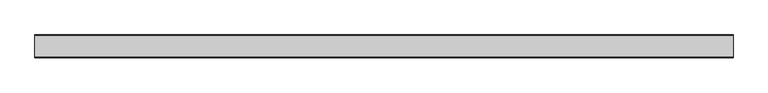
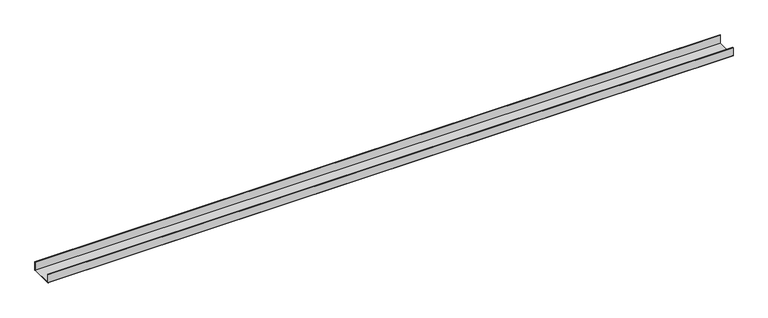
"""IFC4 building model written with IfcOpenShell, lengths in millimetres: proxy geometry."""

from ifc_helpers import new_model, si_unit, point, frame, frame_2d, origin, place, context, project, spatial, polyline, circle_curve, trimmed, segment, composite_curve, outline, extrude, source, transform, mapped, element, save


def generic_models_108b56a6(model_context):
    return source(origin(), model_context, "Body", "SweptSolid", [
        extrude(outline(composite_curve([segment(polyline([(-50.5, 2.0), (-50.5, 40.0), (-48.5, 40.0), (-48.5, 2.0), (48.5, 2.0), (48.5, 40.0), (50.5, 40.0), (50.5, 2.0)]), True, "CONTINUOUS"), segment(trimmed(circle_curve(frame_2d((48.5, 2.0)), 2.0), [point((50.5, 2.0))], [point((48.5, 0.0))], False, "CARTESIAN"), True, "CONTINUOUS"), segment(polyline([(48.5, 0.0), (-48.5, 0.0)]), True, "CONTINUOUS"), segment(trimmed(circle_curve(frame_2d((-48.5, 2.0)), 2.0), [point((-48.5, 0.0))], [point((-50.5, 2.0))], False, "CARTESIAN"), True, "CONTINUOUS")], self_intersect=False)), frame((0.0, 0.0, 0.0), z_axis=(1.0, 0.0, 0.0), x_axis=(0.0, 1.0, 0.0)), (0.0, 0.0, 1.0), 3096.5122993),
    ])


if __name__ == "__main__":
    model = new_model("IFC4")
    model_context = context("Model", 3, world=origin())
    ifc_project = project(units=[si_unit("LENGTHUNIT", "METRE", prefix="MILLI")], contexts=[model_context])
    site = spatial("IfcSite", under=ifc_project)
    building = spatial("IfcBuilding", under=site)
    placement = place(None, origin())
    generic_models_shape = generic_models_108b56a6(model_context)
    element("IfcBuildingElementProxy", 1, Name="Generic Models", at=placement, inside=building, context=model_context, shape_type="MappedRepresentation", body=[
        mapped(generic_models_shape, transform((0.0, 0.0, 0.0), x_axis=(1.0, 0.0, 0.0), y_axis=(0.0, 1.0, 0.0), z_axis=(0.0, 0.0, 1.0))),
    ])
    save(model, "model.ifc")
